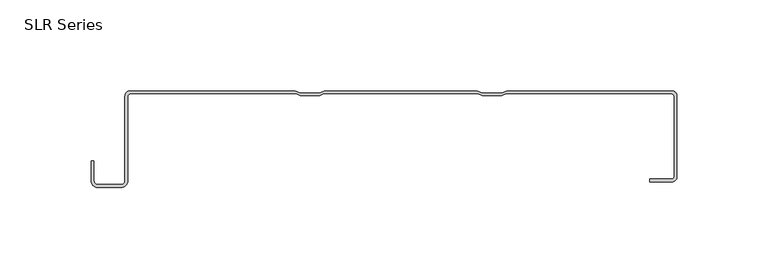
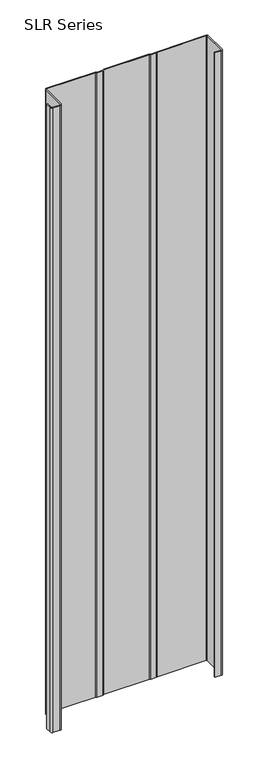
"""IFC4 building model written with IfcOpenShell, lengths in millimetres: plate geometry, SLR Series."""

from ifc_helpers import new_model, si_unit, point, frame_2d, origin, origin_with_axes, place, context, project, spatial, polyline, circle_curve, trimmed, segment, composite_curve, outline, extrude, source, transform, mapped, element, save


def slr_series_60f72055(model_context):
    return source(origin(), model_context, "Body", "SweptSolid", [
        extrude(outline(composite_curve([segment(polyline([(-167.6791304, -38.6547993), (-167.6791304, -49.4817223)]), True, "CONTINUOUS"), segment(trimmed(circle_curve(frame_2d((-165.6211202, -49.4817223)), 2.0580101), [point((-167.6791304, -49.4817223))], [point((-165.6211202, -51.5397324))], True, "CARTESIAN"), True, "CONTINUOUS"), segment(polyline([(-165.6211202, -51.5397324), (-152.7361871, -51.5397324)]), True, "CONTINUOUS"), segment(trimmed(circle_curve(frame_2d((-152.7361871, -49.4817223)), 2.0580101), [point((-152.7361871, -51.5397324))], [point((-150.678177, -49.4817223))], True, "CARTESIAN"), True, "CONTINUOUS"), segment(polyline([(-150.678177, -49.4817223), (-150.678177, -2.7738398)]), True, "CONTINUOUS"), segment(trimmed(circle_curve(frame_2d((-147.9043372, -2.7738398)), 2.7738398), [point((-150.678177, -2.7738398))], [point((-147.9043372, 0.0))], False, "CARTESIAN"), True, "CONTINUOUS"), segment(polyline([(-147.9043372, 0.0), (-57.0631207, 0.0), (-54.2384717, -1.1298596), (-43.9178823, -1.1298596), (-41.0932332, 0.0), (42.9150562, 0.0), (45.7397053, -1.1298596), (56.0602947, -1.1298596), (58.8849438, 0.0), (149.7262298, 0.0)]), True, "CONTINUOUS"), segment(trimmed(circle_curve(frame_2d((149.7262298, -2.7737702)), 2.7737702), [point((149.7262298, 0.0))], [point((152.5, -2.7737702))], False, "CARTESIAN"), True, "CONTINUOUS"), segment(polyline([(152.5, -2.7737702), (152.5, -47.2671954)]), True, "CONTINUOUS"), segment(trimmed(circle_curve(frame_2d((149.7262298, -47.2671954)), 2.7737702), [point((152.5, -47.2671954))], [point((149.7262298, -50.0409655))], False, "CARTESIAN"), True, "CONTINUOUS"), segment(polyline([(149.7262298, -50.0409655), (137.6469081, -50.0409655), (137.6469081, -48.4232312), (149.7262298, -48.4232312)]), True, "CONTINUOUS"), segment(trimmed(circle_curve(frame_2d((149.7262298, -47.2671954)), 1.1560358), [point((149.7262298, -48.4232312))], [point((150.8822657, -47.2671954))], True, "CARTESIAN"), True, "CONTINUOUS"), segment(polyline([(150.8822657, -47.2671954), (150.8822657, -2.7738108)]), True, "CONTINUOUS"), segment(trimmed(circle_curve(frame_2d((149.7262298, -2.7738108)), 1.1560358), [point((150.8822657, -2.7738108))], [point((149.7262298, -1.6177749))], True, "CARTESIAN"), True, "CONTINUOUS"), segment(polyline([(149.7262298, -1.6177749), (58.6257645, -1.6177749), (56.2545724, -2.5662518), (45.5454276, -2.5662518), (43.1742355, -1.6177749), (-41.5271561, -1.6177749), (-43.7236046, -2.4963543), (-54.4327494, -2.4963543), (-56.6291979, -1.6177749), (-147.9043372, -1.6177749)]), True, "CONTINUOUS"), segment(trimmed(circle_curve(frame_2d((-147.9043372, -2.7738398)), 1.1560648), [point((-147.9043372, -1.6177749))], [point((-149.060402, -2.7738398))], True, "CARTESIAN"), True, "CONTINUOUS"), segment(polyline([(-149.060402, -2.7738398), (-149.060402, -49.4817223)]), True, "CONTINUOUS"), segment(trimmed(circle_curve(frame_2d((-152.7361871, -49.4817223)), 3.6757851), [point((-149.060402, -49.4817223))], [point((-152.7361871, -53.1575073))], False, "CARTESIAN"), True, "CONTINUOUS"), segment(polyline([(-152.7361871, -53.1575073), (-165.6211202, -53.1575073)]), True, "CONTINUOUS"), segment(trimmed(circle_curve(frame_2d((-165.6211202, -49.4817223)), 3.6757851), [point((-165.6211202, -53.1575073))], [point((-169.2969053, -49.4817223))], False, "CARTESIAN"), True, "CONTINUOUS"), segment(polyline([(-169.2969053, -49.4817223), (-169.2969053, -38.6547993), (-167.6791304, -38.6547993)]), True, "CONTINUOUS")], self_intersect=False)), origin_with_axes(), (0.0, 0.0, 1.0), 1228.3559792),
    ])


if __name__ == "__main__":
    model = new_model("IFC4")
    model_context = context("Model", 3, world=origin())
    ifc_project = project(units=[si_unit("LENGTHUNIT", "METRE", prefix="MILLI")], contexts=[model_context])
    site = spatial("IfcSite", under=ifc_project)
    building = spatial("IfcBuilding", under=site)
    placement = place(None, origin())
    slr_series_shape = slr_series_60f72055(model_context)
    element("IfcPlate", 1, ObjectType="SLR Series", at=placement, inside=building, context=model_context, shape_type="MappedRepresentation", body=[
        mapped(slr_series_shape, transform((0.0, 0.0, 0.0), x_axis=(1.0, 0.0, 0.0), y_axis=(0.0, 1.0, 0.0), z_axis=(0.0, 0.0, 1.0))),
    ])
    save(model, "model.ifc")
